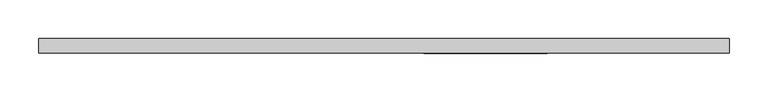
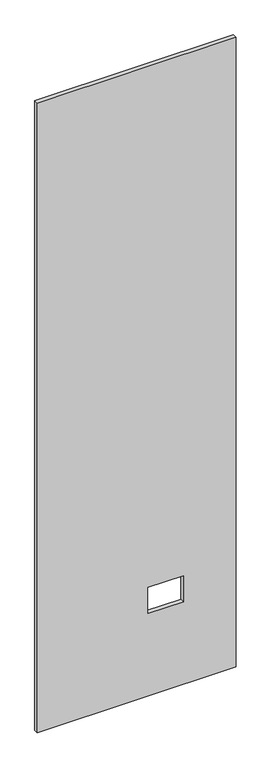
"""IFC4 building model written with IfcOpenShell, lengths in millimetres: proxy geometry."""

import ifcopenshell
import ifcopenshell.guid

model = None  # the IFC model being written
_history = None  # IfcOwnerHistory: only IFC2X3 demands one
_inside = {}  # id of a spatial element -> (the spatial element, [elements in it])
_under = {}  # id of a project, library or spatial element -> (it, [spatial elements below it])
_declared = {}  # id of a project -> (the project, [libraries it declares])
_typed = {}  # id of a type object -> (the type object, [elements of that type])
_made_of = {}  # id of a material, layer set ... -> (it, [elements and type objects made of it])


def new_model(schema):
    """Start an empty IFC model of exactly this schema.

    Asked for "IFC4X3", IfcOpenShell would pick the latest addendum, in which some entities
    have other attributes; the version numbers below select the first issue.
    IFC2X3 requires an IfcOwnerHistory on every rooted entity: one is made here for all.
    """
    global model, _history
    if schema == "IFC4X3":
        model = ifcopenshell.file(schema_version=(4, 3, 0, 0))
    else:
        model = ifcopenshell.file(schema=schema)
    _inside.clear()
    _under.clear()
    _declared.clear()
    _typed.clear()
    _made_of.clear()
    _history = None
    if model.schema == "IFC2X3":
        org = make("IfcOrganization", Name="unknown")
        user = make(
            "IfcPersonAndOrganization",
            ThePerson=make("IfcPerson", FamilyName="unknown"),
            TheOrganization=org,
        )
        app = make(
            "IfcApplication",
            ApplicationDeveloper=org,
            Version="unknown",
            ApplicationFullName="unknown",
            ApplicationIdentifier="unknown",
        )
        _history = make(
            "IfcOwnerHistory",
            OwningUser=user,
            OwningApplication=app,
            ChangeAction="ADDED",
            CreationDate=0,
        )
    return model


def make(cls, **values):
    """One entity of the class cls with the attributes given. An attribute that is None is left unset."""
    return model.create_entity(
        cls, **{name: value for name, value in values.items() if value is not None}
    )


def rooted(cls, **values):
    """An entity with a GlobalId (a new one), such as an element, a storey or a relation."""
    return make(cls, GlobalId=ifcopenshell.guid.new(), OwnerHistory=_history, **values)


def si_unit(unit_type, name, prefix=None):
    """IfcSIUnit, for example si_unit("LENGTHUNIT", "METRE", prefix="MILLI")."""
    return make("IfcSIUnit", UnitType=unit_type, Prefix=prefix, Name=name)


def assignment(units):
    """IfcUnitAssignment: the units of a project."""
    return None if units is None else make("IfcUnitAssignment", Units=units)


def point(xyz):
    """IfcCartesianPoint."""
    return None if xyz is None else make("IfcCartesianPoint", Coordinates=xyz)


def direction(xyz):
    """IfcDirection."""
    return None if xyz is None else make("IfcDirection", DirectionRatios=xyz)


def frame(location, z_axis=None, x_axis=None):
    """IfcAxis2Placement3D, a coordinate frame: its origin and axes. An axis left out is left unset."""
    return make(
        "IfcAxis2Placement3D",
        Location=point(location),
        Axis=direction(z_axis),
        RefDirection=direction(x_axis),
    )


def origin():
    """The frame at (0, 0, 0) with its axes left unset."""
    return frame((0.0, 0.0, 0.0))


def place(relative_to, where):
    """IfcLocalPlacement: puts the frame where relative to a parent placement (None: the world)."""
    return make(
        "IfcLocalPlacement", PlacementRelTo=relative_to, RelativePlacement=where
    )


def context(
    kind, dimensions, precision=None, world=None, true_north=None, identifier=None
):
    """IfcGeometricRepresentationContext, for example the 3D "Model" context."""
    return make(
        "IfcGeometricRepresentationContext",
        ContextIdentifier=identifier,
        ContextType=kind,
        CoordinateSpaceDimension=dimensions,
        Precision=precision,
        WorldCoordinateSystem=world,
        TrueNorth=true_north,
    )


def project(units=None, contexts=None):
    """IfcProject with its units and contexts."""
    return rooted(
        "IfcProject",
        Name="project",
        RepresentationContexts=contexts,
        UnitsInContext=assignment(units),
    )


def spatial(cls, under=None, at=None, **own):
    """A site, building, storey or space (cls), placed at a placement, below another one or the project."""
    s = rooted(cls, ObjectPlacement=at, **own)
    if under is not None:
        _under.setdefault(under.id(), (under, []))[1].append(s)
    return s


def polyline(points):
    """IfcPolyline through the points."""
    return make("IfcPolyline", Points=[point(p) for p in points])


def outline(outer, holes=None, kind="AREA"):
    """IfcArbitraryClosedProfileDef: a profile drawn as a closed curve; with holes, ...WithVoids."""
    if holes is None:
        return make("IfcArbitraryClosedProfileDef", ProfileType=kind, OuterCurve=outer)
    return make(
        "IfcArbitraryProfileDefWithVoids",
        ProfileType=kind,
        OuterCurve=outer,
        InnerCurves=holes,
    )


def extrude(swept, where, along, depth):
    """IfcExtrudedAreaSolid: the profile swept, set in the frame where, extruded along a direction by depth."""
    return make(
        "IfcExtrudedAreaSolid",
        SweptArea=swept,
        Position=where,
        ExtrudedDirection=direction(along),
        Depth=depth,
    )


def shape(context_of_items, identifier, shape_type, items):
    """IfcShapeRepresentation: the items that make up one representation, for example the "Body"."""
    return make(
        "IfcShapeRepresentation",
        ContextOfItems=context_of_items,
        RepresentationIdentifier=identifier,
        RepresentationType=shape_type,
        Items=items,
    )


def source(mapping_origin, context_of_items, identifier, shape_type, items):
    """IfcRepresentationMap: a shape defined once, which mapped items show again and again."""
    return make(
        "IfcRepresentationMap",
        MappingOrigin=mapping_origin,
        MappedRepresentation=shape(context_of_items, identifier, shape_type, items),
    )


def transform(
    local_origin,
    x_axis=None,
    y_axis=None,
    z_axis=None,
    scale=None,
    scale2=None,
    scale3=None,
    uniform=True,
):
    """IfcCartesianTransformationOperator3D, or its non-uniform kind. x_axis, y_axis, z_axis: its Axis1, 2, 3."""
    if uniform:
        return make(
            "IfcCartesianTransformationOperator3D",
            Axis1=direction(x_axis),
            Axis2=direction(y_axis),
            LocalOrigin=point(local_origin),
            Scale=scale,
            Axis3=direction(z_axis),
        )
    return make(
        "IfcCartesianTransformationOperator3DnonUniform",
        Axis1=direction(x_axis),
        Axis2=direction(y_axis),
        LocalOrigin=point(local_origin),
        Scale=scale,
        Axis3=direction(z_axis),
        Scale2=scale2,
        Scale3=scale3,
    )


def mapped(mapping_source, mapping_target):
    """IfcMappedItem: shows the shape of a source again, moved by a transform."""
    return make(
        "IfcMappedItem", MappingSource=mapping_source, MappingTarget=mapping_target
    )


def made_of(thing, what):
    """Note that an element or type object is made of a material, layer set ...; save() writes the relation."""
    if what is not None:
        _made_of.setdefault(what.id(), (what, []))[1].append(thing)
    return thing


def element(
    cls,
    number,
    at=None,
    inside=None,
    cuts=None,
    type_object=None,
    material=None,
    context=None,
    identifier="Body",
    shape_type=None,
    held_by="IfcProductDefinitionShape",
    body=None,
    shapes=None,
    **own,
):
    """One element of the class cls, such as IfcWall. Its Tag is "e" and its number.

    at: its placement. inside: the storey or other place that contains it. cuts: it is an
    opening in that element (IfcRelVoidsElement). A single representation is given by context,
    identifier, shape_type and body (its items); several are given by shapes. held_by: the class
    of the entity that holds the representations. save() writes the other relations.
    """
    e = rooted(cls, Tag="e%d" % number, ObjectPlacement=at, **own)
    if body is not None:
        shapes = [shape(context, identifier, shape_type, body)]
    if shapes is not None:
        e.Representation = make(held_by, Representations=shapes)
    if inside is not None:
        _inside.setdefault(inside.id(), (inside, []))[1].append(e)
    if cuts is not None:
        rooted(
            "IfcRelVoidsElement", RelatingBuildingElement=cuts, RelatedOpeningElement=e
        )
    if type_object is not None:
        _typed.setdefault(type_object.id(), (type_object, []))[1].append(e)
    return made_of(e, material)


def aggregate(whole, parts):
    """IfcRelAggregates: a whole, such as a stair, and the parts it consists of."""
    return rooted("IfcRelAggregates", RelatingObject=whole, RelatedObjects=parts)


def save(model, path):
    """Write the relations noted so far, then the file.

    IfcRelAggregates (storeys below a building ...), IfcRelContainedInSpatialStructure (elements
    in a storey), IfcRelDefinesByType, IfcRelAssociatesMaterial and IfcRelDeclares: one each for
    every whole, place, type object, material and project.
    """
    for whole, parts in _under.values():
        aggregate(whole, parts)
    for where, things in _inside.values():
        rooted(
            "IfcRelContainedInSpatialStructure",
            RelatedElements=things,
            RelatingStructure=where,
        )
    for kind, things in _typed.values():
        rooted("IfcRelDefinesByType", RelatedObjects=things, RelatingType=kind)
    for what, things in _made_of.values():
        rooted("IfcRelAssociatesMaterial", RelatedObjects=things, RelatingMaterial=what)
    for by, libraries in _declared.values():
        rooted("IfcRelDeclares", RelatingContext=by, RelatedDefinitions=libraries)
    model.write(path)


def specialty_equipment_689b10ce(model_context):
    return source(origin(), model_context, "Body", "SweptSolid", [
        extrude(outline(polyline([(2999.5368001, -447.7193698), (3.175, -447.7193698), (3.175, 447.7193698), (2999.5368001, 447.7193698), (2999.5368001, -447.7193698)]), holes=[polyline([(395.4526, 211.8868), (395.4526, 51.3588), (518.9474, 51.3588), (518.9474, 211.8868), (395.4526, 211.8868)])]), frame((0.0, -9.525, 0.0), z_axis=(0.0, 1.0, 0.0), x_axis=(0.0, 0.0, 1.0)), (0.0, 0.0, 1.0), 19.05),
    ])


if __name__ == "__main__":
    model = new_model("IFC4")
    model_context = context("Model", 3, world=origin())
    ifc_project = project(units=[si_unit("LENGTHUNIT", "METRE", prefix="MILLI")], contexts=[model_context])
    site = spatial("IfcSite", under=ifc_project)
    building = spatial("IfcBuilding", under=site)
    placement = place(None, origin())
    specialty_equipment_shape = specialty_equipment_689b10ce(model_context)
    element("IfcBuildingElementProxy", 1, Name="Specialty Equipment", at=placement, inside=building, context=model_context, shape_type="MappedRepresentation", body=[
        mapped(specialty_equipment_shape, transform((0.0, 0.0, 0.0), x_axis=(1.0, 0.0, 0.0), y_axis=(0.0, 1.0, 0.0), z_axis=(0.0, 0.0, 1.0))),
    ])
    save(model, "model.ifc")
